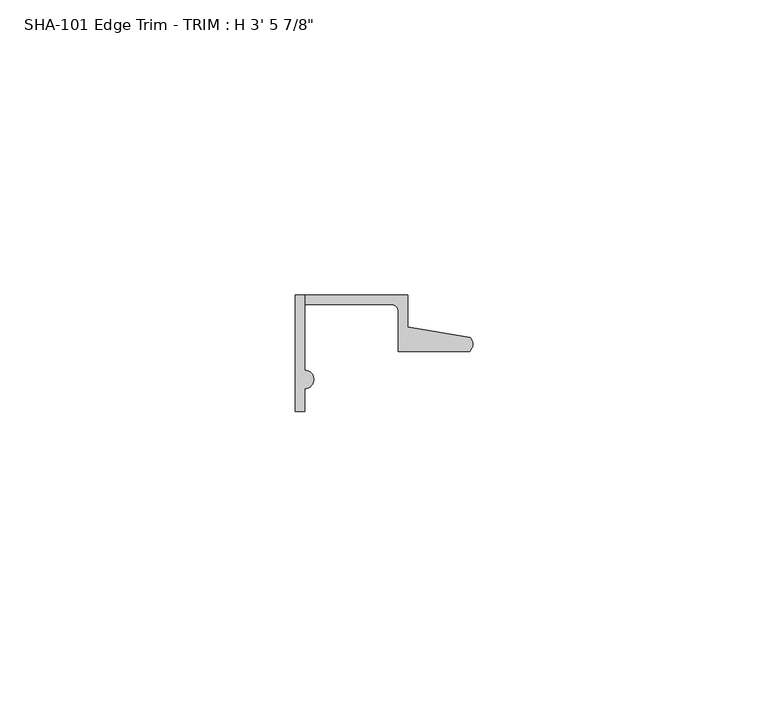
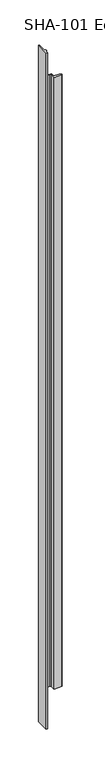
"""IFC4 building model written with IfcOpenShell, lengths in millimetres: proxy geometry."""

from ifc_helpers import new_model, si_unit, frame, origin, place, context, project, spatial, polyline, circle_curve, source, transform, mapped, element, save
from ifc_brep_helpers import plane_surface, cylinder_surface, revolved_surface, advanced_brep


def proxy_58e36d38(model_context):
    return source(origin(), model_context, "Body", "AdvancedBrep", [
        advanced_brep(
        [(0.0, 0.0, 1063.625), (0.0, -19.7327081, 1063.625), (1.5748, -19.7327081, 1063.625), (1.5748, -15.8623, 1063.625), (1.5748, -12.7127, 1063.625), (1.5748, 0.0, 1063.625), (1.5748, 0.0, 0.0), (1.5748, -12.7127, 0.0), (1.5748, -15.8623, 0.0), (1.5748, -19.7327081, 0.0), (0.0, -19.7327081, 0.0), (0.0, 0.0, 0.0), (1.5748, 0.0, 1012.825), (19.0246, 0.0, 1012.825), (19.0246, 0.0, 50.8), (1.5748, 0.0, 50.8), (19.0246, -5.392657, 1012.825), (19.0246, -5.392657, 50.8), (29.6006869, -7.2036308, 1012.825), (29.6006869, -7.2036308, 50.8), (29.5346031, -9.525, 1012.825), (29.5346031, -9.525, 50.8), (17.4498, -9.525, 1012.825), (17.4498, -9.525, 50.8), (17.4498, -2.8448, 1012.825), (17.4498, -2.8448, 50.8), (16.1798, -1.5748, 1012.825), (16.1798, -1.5748, 50.8), (1.5748, -1.5748, 1012.825), (1.5748, -1.5748, 50.8)],
        [
            (0, 1),
            (1, 2),
            (2, 3),
            (3, 4, circle_curve(frame((1.5748, -14.2875, 1063.625), z_axis=(0.0, 0.0, 1.0), x_axis=(0.0, -1.0, 0.0)), 1.5748)),
            (4, 5),
            (5, 0),
            (6, 7),
            (7, 8, circle_curve(frame((1.5748, -14.2875, 0.0), z_axis=(0.0, 0.0, -1.0), x_axis=(0.0, -1.0, 0.0)), 1.5748)),
            (8, 9),
            (9, 10),
            (10, 11),
            (11, 6),
            (3, 8),
            (7, 4),
            (2, 9),
            (1, 10),
            (0, 11),
            (5, 12),
            (12, 13),
            (13, 14),
            (14, 15),
            (15, 6),
            (13, 16),
            (16, 17),
            (17, 14),
            (16, 18),
            (18, 19),
            (19, 17),
            (18, 20, circle_curve(frame((28.4438454, -8.3323235, 1012.825), z_axis=(0.0, 0.0, -1.0), x_axis=(0.0, -1.0, 0.0)), 1.6162393)),
            (20, 21),
            (21, 19, circle_curve(frame((28.4438454, -8.3323235, 50.8), z_axis=(0.0, 0.0, 1.0), x_axis=(0.0, -1.0, 0.0)), 1.6162393)),
            (20, 22),
            (22, 23),
            (23, 21),
            (22, 24),
            (24, 25),
            (25, 23),
            (24, 26, circle_curve(frame((16.1798, -2.8448, 1012.825), z_axis=(0.0, 0.0, 1.0), x_axis=(0.0, -1.0, 0.0)), 1.27)),
            (26, 27),
            (27, 25, circle_curve(frame((16.1798, -2.8448, 50.8), z_axis=(0.0, 0.0, -1.0), x_axis=(0.0, -1.0, 0.0)), 1.27)),
            (26, 28),
            (28, 29),
            (29, 27),
            (15, 29),
            (28, 12),
        ],
        [
            plane_surface(frame((1.5748, -12.7127, 1063.625), z_axis=(0.0, 0.0, 1.0), x_axis=(0.0, 1.0, 0.0))),
            plane_surface(frame((1.5748, -12.7127, 0.0), z_axis=(0.0, 0.0, -1.0), x_axis=(0.0, -1.0, 0.0))),
            cylinder_surface(frame((1.5748, -14.2875, 0.0), z_axis=(0.0, 0.0, 1.0), x_axis=(0.0, -1.0, 0.0)), 1.5748),
            plane_surface(frame((1.5748, -19.7327081, 1063.625), z_axis=(1.0, 0.0, 0.0), x_axis=(0.0, 0.0, -1.0))),
            plane_surface(frame((0.0, -19.7327081, 1063.625), z_axis=(0.0, -1.0, 0.0), x_axis=(0.0, 0.0, -1.0))),
            plane_surface(frame((0.0, 0.0, 1063.625), z_axis=(-1.0, 0.0, 0.0), x_axis=(0.0, 0.0, -1.0))),
            plane_surface(frame((19.0246, 0.0, 1063.625), z_axis=(0.0, 1.0, 0.0), x_axis=(0.0, 0.0, -1.0))),
            plane_surface(frame((19.0246, -5.392657, 1063.625), z_axis=(1.0, 0.0, 0.0), x_axis=(0.0, 0.0, -1.0))),
            plane_surface(frame((29.6006869, -7.2036308, 1063.625), z_axis=(0.168776431404418, 0.9856543593990694, 0.0), x_axis=(0.0, 0.0, -1.0))),
            cylinder_surface(frame((28.4438454, -8.3323235, 0.0), z_axis=(0.0, 0.0, 1.0), x_axis=(0.0, -1.0, 0.0)), 1.6162393),
            plane_surface(frame((17.4498, -9.525, 1063.625), z_axis=(0.0, -1.0, 0.0), x_axis=(0.0, 0.0, -1.0))),
            plane_surface(frame((17.4498, -2.8448, 1063.625), z_axis=(-1.0, 0.0, 0.0), x_axis=(0.0, 0.0, -1.0))),
            revolved_surface(polyline([(16.1798, -4.114800000000001, 50.8), (16.1798, -4.114800000000001, 1012.825)]), (16.1798, -2.8448, 0.0), (0.0, 0.0, -1.0)),
            plane_surface(frame((1.5748, -1.5748, 1063.625), z_axis=(0.0, -1.0, 0.0), x_axis=(0.0, 0.0, -1.0))),
            plane_surface(frame((1.5748, -12.7127, 1063.625), z_axis=(1.0, 0.0, 0.0), x_axis=(0.0, 0.0, -1.0))),
            plane_surface(frame((1.5748, -9.525, 1012.825), z_axis=(0.0, 0.0, 1.0), x_axis=(0.0, 1.0, 0.0))),
            plane_surface(frame((30.1393415, -9.525, 50.8), z_axis=(0.0, 0.0, -1.0), x_axis=(0.0, 1.0, 0.0))),
        ],
        [
            (0, [[1, 2, 3, 4, 5, 6]]),
            (1, [[7, 8, 9, 10, 11, 12]]),
            (2, [[-4, 13, -8, 14]]),
            (3, [[-3, 15, -9, -13]]),
            (4, [[-2, 16, -10, -15]]),
            (5, [[-1, 17, -11, -16]]),
            (6, [[-17, -6, 18, 19, 20, 21, 22, -12]]),
            (7, [[-20, 23, 24, 25]]),
            (8, [[-24, 26, 27, 28]]),
            (9, [[-27, 29, 30, 31]]),
            (10, [[-30, 32, 33, 34]]),
            (11, [[-33, 35, 36, 37]]),
            (12, [[-36, 38, 39, 40]]),
            (13, [[-39, 41, 42, 43]]),
            (14, [[-14, -7, -22, 44, -42, 45, -18, -5]]),
            (15, [[-45, -41, -38, -35, -32, -29, -26, -23, -19]]),
            (16, [[-44, -21, -25, -28, -31, -34, -37, -40, -43]]),
        ],
    ),
    ])


if __name__ == "__main__":
    model = new_model("IFC4")
    model_context = context("Model", 3, world=origin())
    ifc_project = project(units=[si_unit("LENGTHUNIT", "METRE", prefix="MILLI")], contexts=[model_context])
    site = spatial("IfcSite", under=ifc_project)
    building = spatial("IfcBuilding", under=site)
    placement = place(None, origin())
    proxy_shape = proxy_58e36d38(model_context)
    element("IfcBuildingElementProxy", 1, Name="SHA-101 Edge Trim - TRIM : H 3' 5 7/8\"", ObjectType="SHA-101 Edge Trim - TRIM : H 3' 5 7/8\"", at=placement, inside=building, context=model_context, shape_type="MappedRepresentation", body=[
        mapped(proxy_shape, transform((0.0, 0.0, 0.0), x_axis=(1.0, 0.0, 0.0), y_axis=(0.0, 1.0, 0.0), z_axis=(0.0, 0.0, 1.0))),
    ])
    save(model, "model.ifc")
